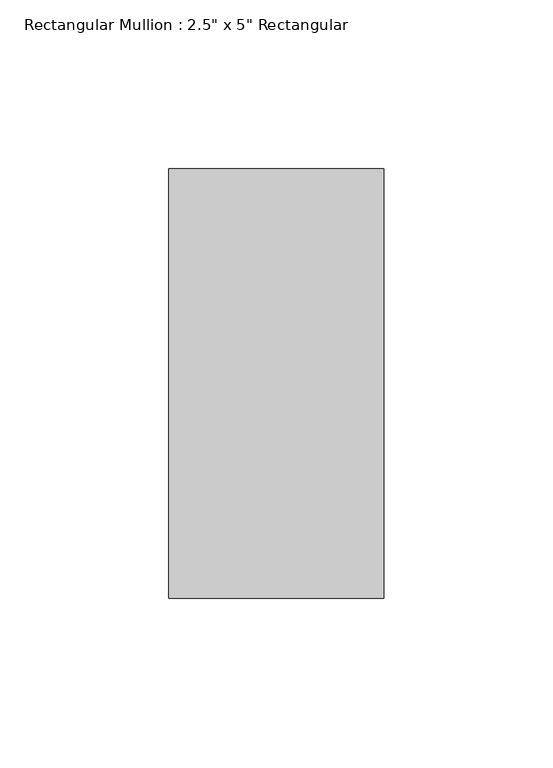
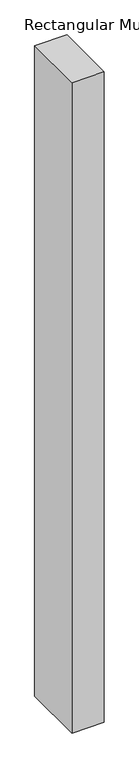
"""IFC4 building model written with IfcOpenShell, lengths in millimetres: member geometry."""

import ifcopenshell
import ifcopenshell.guid

model = None  # the IFC model being written
_history = None  # IfcOwnerHistory: only IFC2X3 demands one
_inside = {}  # id of a spatial element -> (the spatial element, [elements in it])
_under = {}  # id of a project, library or spatial element -> (it, [spatial elements below it])
_declared = {}  # id of a project -> (the project, [libraries it declares])
_typed = {}  # id of a type object -> (the type object, [elements of that type])
_made_of = {}  # id of a material, layer set ... -> (it, [elements and type objects made of it])


def new_model(schema):
    """Start an empty IFC model of exactly this schema.

    Asked for "IFC4X3", IfcOpenShell would pick the latest addendum, in which some entities
    have other attributes; the version numbers below select the first issue.
    IFC2X3 requires an IfcOwnerHistory on every rooted entity: one is made here for all.
    """
    global model, _history
    if schema == "IFC4X3":
        model = ifcopenshell.file(schema_version=(4, 3, 0, 0))
    else:
        model = ifcopenshell.file(schema=schema)
    _inside.clear()
    _under.clear()
    _declared.clear()
    _typed.clear()
    _made_of.clear()
    _history = None
    if model.schema == "IFC2X3":
        org = make("IfcOrganization", Name="unknown")
        user = make(
            "IfcPersonAndOrganization",
            ThePerson=make("IfcPerson", FamilyName="unknown"),
            TheOrganization=org,
        )
        app = make(
            "IfcApplication",
            ApplicationDeveloper=org,
            Version="unknown",
            ApplicationFullName="unknown",
            ApplicationIdentifier="unknown",
        )
        _history = make(
            "IfcOwnerHistory",
            OwningUser=user,
            OwningApplication=app,
            ChangeAction="ADDED",
            CreationDate=0,
        )
    return model


def make(cls, **values):
    """One entity of the class cls with the attributes given. An attribute that is None is left unset."""
    return model.create_entity(
        cls, **{name: value for name, value in values.items() if value is not None}
    )


def rooted(cls, **values):
    """An entity with a GlobalId (a new one), such as an element, a storey or a relation."""
    return make(cls, GlobalId=ifcopenshell.guid.new(), OwnerHistory=_history, **values)


def si_unit(unit_type, name, prefix=None):
    """IfcSIUnit, for example si_unit("LENGTHUNIT", "METRE", prefix="MILLI")."""
    return make("IfcSIUnit", UnitType=unit_type, Prefix=prefix, Name=name)


def assignment(units):
    """IfcUnitAssignment: the units of a project."""
    return None if units is None else make("IfcUnitAssignment", Units=units)


def point(xyz):
    """IfcCartesianPoint."""
    return None if xyz is None else make("IfcCartesianPoint", Coordinates=xyz)


def direction(xyz):
    """IfcDirection."""
    return None if xyz is None else make("IfcDirection", DirectionRatios=xyz)


def frame(location, z_axis=None, x_axis=None):
    """IfcAxis2Placement3D, a coordinate frame: its origin and axes. An axis left out is left unset."""
    return make(
        "IfcAxis2Placement3D",
        Location=point(location),
        Axis=direction(z_axis),
        RefDirection=direction(x_axis),
    )


def origin():
    """The frame at (0, 0, 0) with its axes left unset."""
    return frame((0.0, 0.0, 0.0))


def place(relative_to, where):
    """IfcLocalPlacement: puts the frame where relative to a parent placement (None: the world)."""
    return make(
        "IfcLocalPlacement", PlacementRelTo=relative_to, RelativePlacement=where
    )


def context(
    kind, dimensions, precision=None, world=None, true_north=None, identifier=None
):
    """IfcGeometricRepresentationContext, for example the 3D "Model" context."""
    return make(
        "IfcGeometricRepresentationContext",
        ContextIdentifier=identifier,
        ContextType=kind,
        CoordinateSpaceDimension=dimensions,
        Precision=precision,
        WorldCoordinateSystem=world,
        TrueNorth=true_north,
    )


def project(units=None, contexts=None):
    """IfcProject with its units and contexts."""
    return rooted(
        "IfcProject",
        Name="project",
        RepresentationContexts=contexts,
        UnitsInContext=assignment(units),
    )


def spatial(cls, under=None, at=None, **own):
    """A site, building, storey or space (cls), placed at a placement, below another one or the project."""
    s = rooted(cls, ObjectPlacement=at, **own)
    if under is not None:
        _under.setdefault(under.id(), (under, []))[1].append(s)
    return s


def polyline(points):
    """IfcPolyline through the points."""
    return make("IfcPolyline", Points=[point(p) for p in points])


def outline(outer, holes=None, kind="AREA"):
    """IfcArbitraryClosedProfileDef: a profile drawn as a closed curve; with holes, ...WithVoids."""
    if holes is None:
        return make("IfcArbitraryClosedProfileDef", ProfileType=kind, OuterCurve=outer)
    return make(
        "IfcArbitraryProfileDefWithVoids",
        ProfileType=kind,
        OuterCurve=outer,
        InnerCurves=holes,
    )


def extrude(swept, where, along, depth):
    """IfcExtrudedAreaSolid: the profile swept, set in the frame where, extruded along a direction by depth."""
    return make(
        "IfcExtrudedAreaSolid",
        SweptArea=swept,
        Position=where,
        ExtrudedDirection=direction(along),
        Depth=depth,
    )


def shape(context_of_items, identifier, shape_type, items):
    """IfcShapeRepresentation: the items that make up one representation, for example the "Body"."""
    return make(
        "IfcShapeRepresentation",
        ContextOfItems=context_of_items,
        RepresentationIdentifier=identifier,
        RepresentationType=shape_type,
        Items=items,
    )


def source(mapping_origin, context_of_items, identifier, shape_type, items):
    """IfcRepresentationMap: a shape defined once, which mapped items show again and again."""
    return make(
        "IfcRepresentationMap",
        MappingOrigin=mapping_origin,
        MappedRepresentation=shape(context_of_items, identifier, shape_type, items),
    )


def transform(
    local_origin,
    x_axis=None,
    y_axis=None,
    z_axis=None,
    scale=None,
    scale2=None,
    scale3=None,
    uniform=True,
):
    """IfcCartesianTransformationOperator3D, or its non-uniform kind. x_axis, y_axis, z_axis: its Axis1, 2, 3."""
    if uniform:
        return make(
            "IfcCartesianTransformationOperator3D",
            Axis1=direction(x_axis),
            Axis2=direction(y_axis),
            LocalOrigin=point(local_origin),
            Scale=scale,
            Axis3=direction(z_axis),
        )
    return make(
        "IfcCartesianTransformationOperator3DnonUniform",
        Axis1=direction(x_axis),
        Axis2=direction(y_axis),
        LocalOrigin=point(local_origin),
        Scale=scale,
        Axis3=direction(z_axis),
        Scale2=scale2,
        Scale3=scale3,
    )


def mapped(mapping_source, mapping_target):
    """IfcMappedItem: shows the shape of a source again, moved by a transform."""
    return make(
        "IfcMappedItem", MappingSource=mapping_source, MappingTarget=mapping_target
    )


def made_of(thing, what):
    """Note that an element or type object is made of a material, layer set ...; save() writes the relation."""
    if what is not None:
        _made_of.setdefault(what.id(), (what, []))[1].append(thing)
    return thing


def element(
    cls,
    number,
    at=None,
    inside=None,
    cuts=None,
    type_object=None,
    material=None,
    context=None,
    identifier="Body",
    shape_type=None,
    held_by="IfcProductDefinitionShape",
    body=None,
    shapes=None,
    **own,
):
    """One element of the class cls, such as IfcWall. Its Tag is "e" and its number.

    at: its placement. inside: the storey or other place that contains it. cuts: it is an
    opening in that element (IfcRelVoidsElement). A single representation is given by context,
    identifier, shape_type and body (its items); several are given by shapes. held_by: the class
    of the entity that holds the representations. save() writes the other relations.
    """
    e = rooted(cls, Tag="e%d" % number, ObjectPlacement=at, **own)
    if body is not None:
        shapes = [shape(context, identifier, shape_type, body)]
    if shapes is not None:
        e.Representation = make(held_by, Representations=shapes)
    if inside is not None:
        _inside.setdefault(inside.id(), (inside, []))[1].append(e)
    if cuts is not None:
        rooted(
            "IfcRelVoidsElement", RelatingBuildingElement=cuts, RelatedOpeningElement=e
        )
    if type_object is not None:
        _typed.setdefault(type_object.id(), (type_object, []))[1].append(e)
    return made_of(e, material)


def aggregate(whole, parts):
    """IfcRelAggregates: a whole, such as a stair, and the parts it consists of."""
    return rooted("IfcRelAggregates", RelatingObject=whole, RelatedObjects=parts)


def save(model, path):
    """Write the relations noted so far, then the file.

    IfcRelAggregates (storeys below a building ...), IfcRelContainedInSpatialStructure (elements
    in a storey), IfcRelDefinesByType, IfcRelAssociatesMaterial and IfcRelDeclares: one each for
    every whole, place, type object, material and project.
    """
    for whole, parts in _under.values():
        aggregate(whole, parts)
    for where, things in _inside.values():
        rooted(
            "IfcRelContainedInSpatialStructure",
            RelatedElements=things,
            RelatingStructure=where,
        )
    for kind, things in _typed.values():
        rooted("IfcRelDefinesByType", RelatedObjects=things, RelatingType=kind)
    for what, things in _made_of.values():
        rooted("IfcRelAssociatesMaterial", RelatedObjects=things, RelatingMaterial=what)
    for by, libraries in _declared.values():
        rooted("IfcRelDeclares", RelatingContext=by, RelatedDefinitions=libraries)
    model.write(path)


def member_20eb5ac3(model_context):
    return source(origin(), model_context, "Body", "SweptSolid", [
        extrude(outline(polyline([(0.0, 63.5), (0.0, -63.5), (-63.5, -63.5), (-63.5, 63.5), (0.0, 63.5)])), frame((0.0, 0.0, -1352.55), z_axis=(0.0, 0.0, 1.0), x_axis=(1.0, 0.0, 0.0)), (0.0, 0.0, 1.0), 1352.55),
    ])


if __name__ == "__main__":
    model = new_model("IFC4")
    model_context = context("Model", 3, world=origin())
    ifc_project = project(units=[si_unit("LENGTHUNIT", "METRE", prefix="MILLI")], contexts=[model_context])
    site = spatial("IfcSite", under=ifc_project)
    building = spatial("IfcBuilding", under=site)
    placement = place(None, origin())
    member_shape = member_20eb5ac3(model_context)
    element("IfcMember", 1, ObjectType="Rectangular Mullion : 2.5\" x 5\" Rectangular", at=placement, inside=building, context=model_context, shape_type="MappedRepresentation", body=[
        mapped(member_shape, transform((0.0, 0.0, 0.0), x_axis=(1.0, 0.0, 0.0), y_axis=(0.0, 1.0, 0.0), z_axis=(0.0, 0.0, 1.0))),
    ])
    save(model, "model.ifc")
